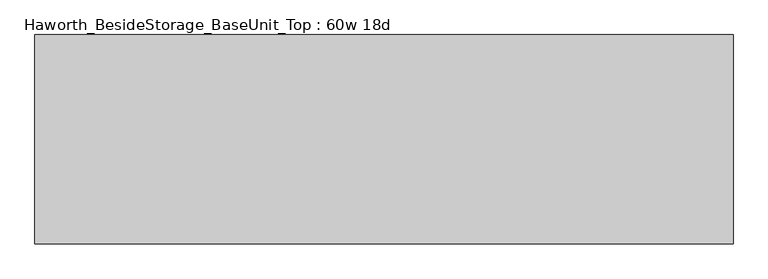
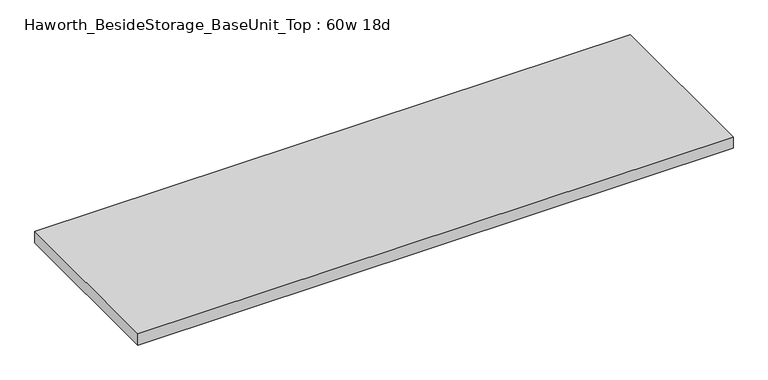
"""IFC4 building model written with IfcOpenShell, lengths in millimetres: furniture geometry, Haworth_BesideStorage_BaseUnit_Top : 60w 18d."""

from ifc_helpers import new_model, si_unit, frame, origin, place, context, project, spatial, polyline, outline, extrude, source, transform, mapped, element, save


def haworth_besidestorage_baseunit_top_60w_18d_dc3922a2(model_context):
    return source(origin(), model_context, "Body", "SweptSolid", [
        extrude(outline(polyline([(762.0, 228.6), (762.0, -228.6), (-762.0, -228.6), (-762.0, 228.6), (762.0, 228.6)])), frame((0.0, 0.0, 706.4375), z_axis=(0.0, 0.0, 1.0), x_axis=(1.0, 0.0, 0.0)), (0.0, 0.0, 1.0), 30.1625),
    ])


if __name__ == "__main__":
    model = new_model("IFC4")
    model_context = context("Model", 3, world=origin())
    ifc_project = project(units=[si_unit("LENGTHUNIT", "METRE", prefix="MILLI")], contexts=[model_context])
    site = spatial("IfcSite", under=ifc_project)
    building = spatial("IfcBuilding", under=site)
    placement = place(None, origin())
    haworth_besidestorage_baseunit_top_60w_18d_shape = haworth_besidestorage_baseunit_top_60w_18d_dc3922a2(model_context)
    element("IfcFurniture", 1, ObjectType="Haworth_BesideStorage_BaseUnit_Top : 60w 18d", at=placement, inside=building, context=model_context, shape_type="MappedRepresentation", body=[
        mapped(haworth_besidestorage_baseunit_top_60w_18d_shape, transform((0.0, 0.0, 0.0), x_axis=(1.0, 0.0, 0.0), y_axis=(0.0, 1.0, 0.0), z_axis=(0.0, 0.0, 1.0))),
    ])
    save(model, "model.ifc")
